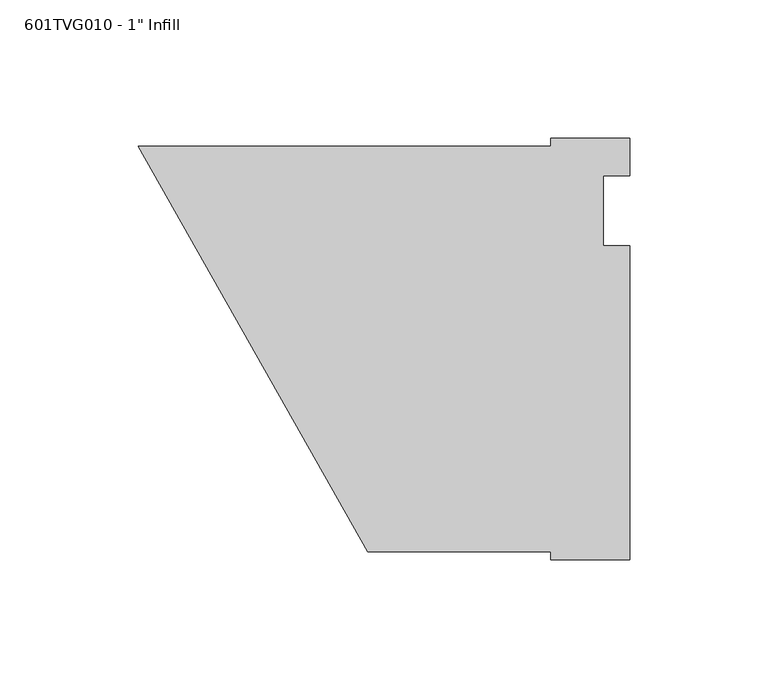
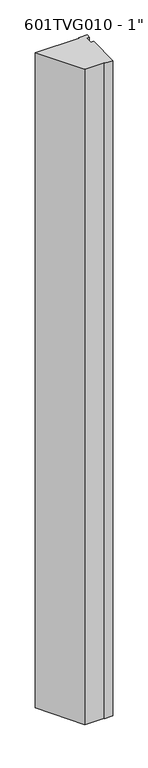
"""IFC4 building model written with IfcOpenShell, lengths in millimetres: proxy geometry."""

from ifc_helpers import new_model, si_unit, frame, origin, place, context, project, spatial, polyline, outline, extrude, source, transform, mapped, element, save


def proxy_909e96ed(model_context):
    return source(origin(), model_context, "Body", "SweptSolid", [
        extrude(outline(polyline([(177.8, 26.19375), (177.8, 12.7), (168.275, 12.7), (168.275, -12.7), (177.8, -12.7), (177.8, -126.20625), (149.2711005, -126.20625), (149.2711005, -123.34875), (82.99038, -123.34875), (0.0, 23.33625), (149.1581978, 23.33625), (149.1581978, 26.19375), (177.8, 26.19375)])), frame((0.0, 0.0, 50.8), z_axis=(0.0, 0.0, 1.0), x_axis=(1.0, 0.0, 0.0)), (0.0, 0.0, 1.0), 2362.2),
    ])


if __name__ == "__main__":
    model = new_model("IFC4")
    model_context = context("Model", 3, world=origin())
    ifc_project = project(units=[si_unit("LENGTHUNIT", "METRE", prefix="MILLI")], contexts=[model_context])
    site = spatial("IfcSite", under=ifc_project)
    building = spatial("IfcBuilding", under=site)
    placement = place(None, origin())
    proxy_shape = proxy_909e96ed(model_context)
    element("IfcBuildingElementProxy", 1, Name="601TVG010 - 1\" Infill", ObjectType="601TVG010 - 1\" Infill", at=placement, inside=building, context=model_context, shape_type="MappedRepresentation", body=[
        mapped(proxy_shape, transform((0.0, 0.0, 0.0), x_axis=(1.0, 0.0, 0.0), y_axis=(0.0, 1.0, 0.0), z_axis=(0.0, 0.0, 1.0))),
    ])
    save(model, "model.ifc")
